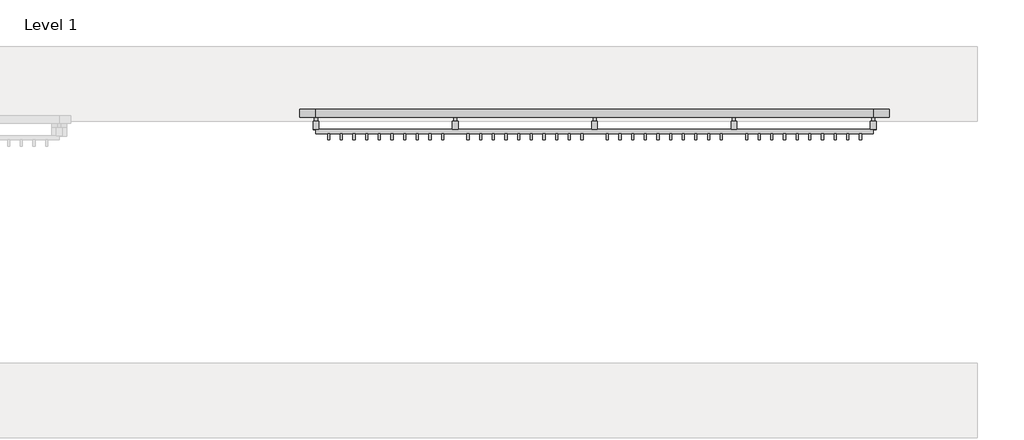
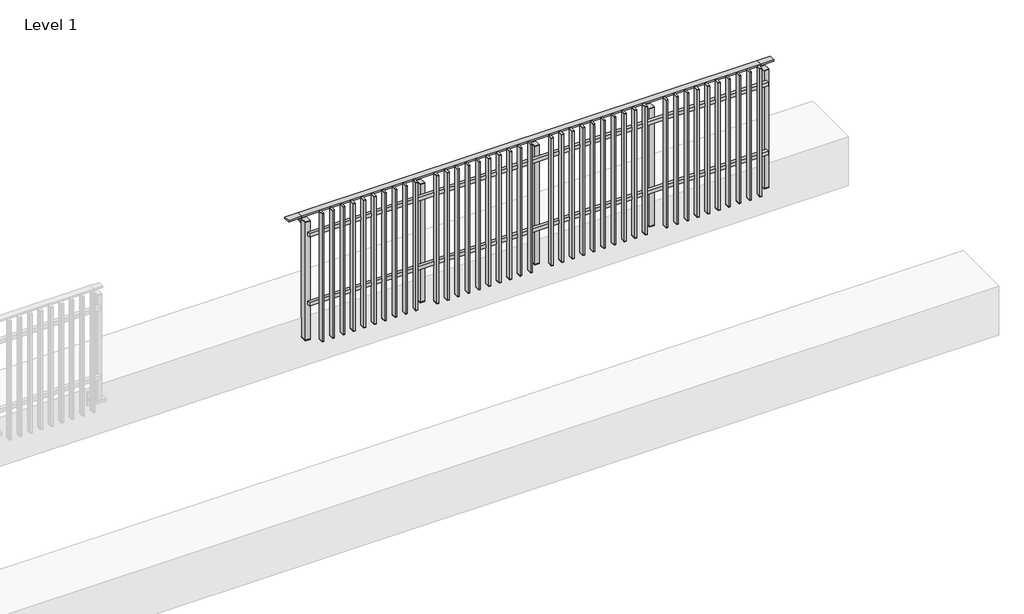
# One storey, part 15 of 17: 1 railing.
"""IFC4 building model written with IfcOpenShell, lengths in millimetres."""

from ifc_helpers import new_model, si_unit, point, frame, frame_2d, origin, place, context, project, spatial, polyline, circle_curve, trimmed, segment, composite_curve, outline, extrude, faceted_brep, element, save

model = new_model("IFC4")

# Units and contexts
model_context = context("Model", 3, world=origin())
ifc_project = project(units=[si_unit("LENGTHUNIT", "METRE", prefix="MILLI")], contexts=[model_context])

# Site, building, storey
site = spatial("IfcSite", under=ifc_project)
building = spatial("IfcBuilding", under=site)
storey = spatial("IfcBuildingStorey", under=building, Name="Level 1", Elevation=0.0)

# Railing
placement = place(None, origin())
element("IfcRailing", 1, at=placement, inside=storey, context=model_context, shape_type="SolidModel", body=[
    faceted_brep([(18027.0, 2493.1846828, 985.0), (18027.0, 2493.1846828, 1000.0), (22427.0, 2493.1846828, 1000.0), (22427.0, 2493.1846828, 985.0), (18027.0, 2433.1846828, 985.0), (22427.0, 2433.1846828, 985.0), (18027.0, 2433.1846828, 1000.0), (22427.0, 2433.1846828, 1000.0), (17899.5, 2493.1846828, 1000.0), (17899.5, 2493.1846828, 985.0), (17899.5, 2433.1846828, 985.0), (17899.5, 2433.1846828, 1000.0), (22554.5, 2493.1846828, 1000.0), (22554.5, 2433.1846828, 1000.0), (22554.5, 2433.1846828, 985.0), (22554.5, 2493.1846828, 985.0)], [[[0, 1, 2, 3]], [[4, 0, 3, 5]], [[6, 4, 5, 7]], [[1, 6, 7, 2]], [[8, 9, 10, 11]], [[9, 8, 1, 0]], [[10, 9, 0, 4]], [[11, 10, 4, 6]], [[8, 11, 6, 1]], [[12, 13, 14, 15]], [[3, 2, 12, 15]], [[5, 3, 15, 14]], [[7, 5, 14, 13]], [[2, 7, 13, 12]]]),
    extrude(outline(polyline([(18027.0, 2303.1846828), (18027.0, 2335.1846828), (22427.0, 2335.1846828), (22427.0, 2303.1846828), (18027.0, 2303.1846828)])), frame((0.0, 0.0, 164.0), z_axis=(0.0, 0.0, 1.0), x_axis=(1.0, 0.0, 0.0)), (0.0, 0.0, 1.0), 36.0),
    extrude(outline(polyline([(18027.0, 2303.1846828), (18027.0, 2335.1846828), (22427.0, 2335.1846828), (22427.0, 2303.1846828), (18027.0, 2303.1846828)])), frame((0.0, 0.0, 864.0), z_axis=(0.0, 0.0, 1.0), x_axis=(1.0, 0.0, 0.0)), (0.0, 0.0, 1.0), 36.0),
    extrude(outline(polyline([(22318.5, 2254.1846828), (22318.5, 2303.1846828), (22335.5, 2303.1846828), (22335.5, 2254.1846828), (22318.5, 2254.1846828)])), frame((0.0, 0.0, -195.0), z_axis=(0.0, 0.0, 1.0), x_axis=(1.0, 0.0, 0.0)), (0.0, 0.0, 1.0), 1290.0),
    extrude(outline(polyline([(22335.5, 2303.1846828), (22335.5, 2254.1846828), (22318.5, 2254.1846828), (22318.5, 2303.1846828), (22335.5, 2303.1846828)])), frame((0.0, 0.0, -200.0), z_axis=(0.0, 0.0, 1.0), x_axis=(1.0, 0.0, 0.0)), (0.0, 0.0, 1.0), 5.0),
    extrude(outline(polyline([(22335.5, 2303.1846828), (22335.5, 2254.1846828), (22318.5, 2254.1846828), (22318.5, 2303.1846828), (22335.5, 2303.1846828)])), frame((0.0, 0.0, 1095.0), z_axis=(0.0, 0.0, 1.0), x_axis=(1.0, 0.0, 0.0)), (0.0, 0.0, 1.0), 5.0),
    extrude(outline(polyline([(22218.5, 2254.1846828), (22218.5, 2303.1846828), (22235.5, 2303.1846828), (22235.5, 2254.1846828), (22218.5, 2254.1846828)])), frame((0.0, 0.0, -195.0), z_axis=(0.0, 0.0, 1.0), x_axis=(1.0, 0.0, 0.0)), (0.0, 0.0, 1.0), 1290.0),
    extrude(outline(polyline([(22235.5, 2303.1846828), (22235.5, 2254.1846828), (22218.5, 2254.1846828), (22218.5, 2303.1846828), (22235.5, 2303.1846828)])), frame((0.0, 0.0, -200.0), z_axis=(0.0, 0.0, 1.0), x_axis=(1.0, 0.0, 0.0)), (0.0, 0.0, 1.0), 5.0),
    extrude(outline(polyline([(22235.5, 2303.1846828), (22235.5, 2254.1846828), (22218.5, 2254.1846828), (22218.5, 2303.1846828), (22235.5, 2303.1846828)])), frame((0.0, 0.0, 1095.0), z_axis=(0.0, 0.0, 1.0), x_axis=(1.0, 0.0, 0.0)), (0.0, 0.0, 1.0), 5.0),
    extrude(outline(polyline([(22118.5, 2254.1846828), (22118.5, 2303.1846828), (22135.5, 2303.1846828), (22135.5, 2254.1846828), (22118.5, 2254.1846828)])), frame((0.0, 0.0, -195.0), z_axis=(0.0, 0.0, 1.0), x_axis=(1.0, 0.0, 0.0)), (0.0, 0.0, 1.0), 1290.0),
    extrude(outline(polyline([(22135.5, 2303.1846828), (22135.5, 2254.1846828), (22118.5, 2254.1846828), (22118.5, 2303.1846828), (22135.5, 2303.1846828)])), frame((0.0, 0.0, -200.0), z_axis=(0.0, 0.0, 1.0), x_axis=(1.0, 0.0, 0.0)), (0.0, 0.0, 1.0), 5.0),
    extrude(outline(polyline([(22135.5, 2303.1846828), (22135.5, 2254.1846828), (22118.5, 2254.1846828), (22118.5, 2303.1846828), (22135.5, 2303.1846828)])), frame((0.0, 0.0, 1095.0), z_axis=(0.0, 0.0, 1.0), x_axis=(1.0, 0.0, 0.0)), (0.0, 0.0, 1.0), 5.0),
    extrude(outline(polyline([(22018.5, 2254.1846828), (22018.5, 2303.1846828), (22035.5, 2303.1846828), (22035.5, 2254.1846828), (22018.5, 2254.1846828)])), frame((0.0, 0.0, -195.0), z_axis=(0.0, 0.0, 1.0), x_axis=(1.0, 0.0, 0.0)), (0.0, 0.0, 1.0), 1290.0),
    extrude(outline(polyline([(22035.5, 2303.1846828), (22035.5, 2254.1846828), (22018.5, 2254.1846828), (22018.5, 2303.1846828), (22035.5, 2303.1846828)])), frame((0.0, 0.0, -200.0), z_axis=(0.0, 0.0, 1.0), x_axis=(1.0, 0.0, 0.0)), (0.0, 0.0, 1.0), 5.0),
    extrude(outline(polyline([(22035.5, 2303.1846828), (22035.5, 2254.1846828), (22018.5, 2254.1846828), (22018.5, 2303.1846828), (22035.5, 2303.1846828)])), frame((0.0, 0.0, 1095.0), z_axis=(0.0, 0.0, 1.0), x_axis=(1.0, 0.0, 0.0)), (0.0, 0.0, 1.0), 5.0),
    extrude(outline(polyline([(21918.5, 2254.1846828), (21918.5, 2303.1846828), (21935.5, 2303.1846828), (21935.5, 2254.1846828), (21918.5, 2254.1846828)])), frame((0.0, 0.0, -195.0), z_axis=(0.0, 0.0, 1.0), x_axis=(1.0, 0.0, 0.0)), (0.0, 0.0, 1.0), 1290.0),
    extrude(outline(polyline([(21935.5, 2303.1846828), (21935.5, 2254.1846828), (21918.5, 2254.1846828), (21918.5, 2303.1846828), (21935.5, 2303.1846828)])), frame((0.0, 0.0, -200.0), z_axis=(0.0, 0.0, 1.0), x_axis=(1.0, 0.0, 0.0)), (0.0, 0.0, 1.0), 5.0),
    extrude(outline(polyline([(21935.5, 2303.1846828), (21935.5, 2254.1846828), (21918.5, 2254.1846828), (21918.5, 2303.1846828), (21935.5, 2303.1846828)])), frame((0.0, 0.0, 1095.0), z_axis=(0.0, 0.0, 1.0), x_axis=(1.0, 0.0, 0.0)), (0.0, 0.0, 1.0), 5.0),
    extrude(outline(polyline([(21818.5, 2254.1846828), (21818.5, 2303.1846828), (21835.5, 2303.1846828), (21835.5, 2254.1846828), (21818.5, 2254.1846828)])), frame((0.0, 0.0, -195.0), z_axis=(0.0, 0.0, 1.0), x_axis=(1.0, 0.0, 0.0)), (0.0, 0.0, 1.0), 1290.0),
    extrude(outline(polyline([(21835.5, 2303.1846828), (21835.5, 2254.1846828), (21818.5, 2254.1846828), (21818.5, 2303.1846828), (21835.5, 2303.1846828)])), frame((0.0, 0.0, -200.0), z_axis=(0.0, 0.0, 1.0), x_axis=(1.0, 0.0, 0.0)), (0.0, 0.0, 1.0), 5.0),
    extrude(outline(polyline([(21835.5, 2303.1846828), (21835.5, 2254.1846828), (21818.5, 2254.1846828), (21818.5, 2303.1846828), (21835.5, 2303.1846828)])), frame((0.0, 0.0, 1095.0), z_axis=(0.0, 0.0, 1.0), x_axis=(1.0, 0.0, 0.0)), (0.0, 0.0, 1.0), 5.0),
    extrude(outline(polyline([(21718.5, 2254.1846828), (21718.5, 2303.1846828), (21735.5, 2303.1846828), (21735.5, 2254.1846828), (21718.5, 2254.1846828)])), frame((0.0, 0.0, -195.0), z_axis=(0.0, 0.0, 1.0), x_axis=(1.0, 0.0, 0.0)), (0.0, 0.0, 1.0), 1290.0),
    extrude(outline(polyline([(21735.5, 2303.1846828), (21735.5, 2254.1846828), (21718.5, 2254.1846828), (21718.5, 2303.1846828), (21735.5, 2303.1846828)])), frame((0.0, 0.0, -200.0), z_axis=(0.0, 0.0, 1.0), x_axis=(1.0, 0.0, 0.0)), (0.0, 0.0, 1.0), 5.0),
    extrude(outline(polyline([(21735.5, 2303.1846828), (21735.5, 2254.1846828), (21718.5, 2254.1846828), (21718.5, 2303.1846828), (21735.5, 2303.1846828)])), frame((0.0, 0.0, 1095.0), z_axis=(0.0, 0.0, 1.0), x_axis=(1.0, 0.0, 0.0)), (0.0, 0.0, 1.0), 5.0),
    extrude(outline(polyline([(21618.5, 2254.1846828), (21618.5, 2303.1846828), (21635.5, 2303.1846828), (21635.5, 2254.1846828), (21618.5, 2254.1846828)])), frame((0.0, 0.0, -195.0), z_axis=(0.0, 0.0, 1.0), x_axis=(1.0, 0.0, 0.0)), (0.0, 0.0, 1.0), 1290.0),
    extrude(outline(polyline([(21635.5, 2303.1846828), (21635.5, 2254.1846828), (21618.5, 2254.1846828), (21618.5, 2303.1846828), (21635.5, 2303.1846828)])), frame((0.0, 0.0, -200.0), z_axis=(0.0, 0.0, 1.0), x_axis=(1.0, 0.0, 0.0)), (0.0, 0.0, 1.0), 5.0),
    extrude(outline(polyline([(21635.5, 2303.1846828), (21635.5, 2254.1846828), (21618.5, 2254.1846828), (21618.5, 2303.1846828), (21635.5, 2303.1846828)])), frame((0.0, 0.0, 1095.0), z_axis=(0.0, 0.0, 1.0), x_axis=(1.0, 0.0, 0.0)), (0.0, 0.0, 1.0), 5.0),
    extrude(outline(polyline([(21518.5, 2254.1846828), (21518.5, 2303.1846828), (21535.5, 2303.1846828), (21535.5, 2254.1846828), (21518.5, 2254.1846828)])), frame((0.0, 0.0, -195.0), z_axis=(0.0, 0.0, 1.0), x_axis=(1.0, 0.0, 0.0)), (0.0, 0.0, 1.0), 1290.0),
    extrude(outline(polyline([(21535.5, 2303.1846828), (21535.5, 2254.1846828), (21518.5, 2254.1846828), (21518.5, 2303.1846828), (21535.5, 2303.1846828)])), frame((0.0, 0.0, -200.0), z_axis=(0.0, 0.0, 1.0), x_axis=(1.0, 0.0, 0.0)), (0.0, 0.0, 1.0), 5.0),
    extrude(outline(polyline([(21535.5, 2303.1846828), (21535.5, 2254.1846828), (21518.5, 2254.1846828), (21518.5, 2303.1846828), (21535.5, 2303.1846828)])), frame((0.0, 0.0, 1095.0), z_axis=(0.0, 0.0, 1.0), x_axis=(1.0, 0.0, 0.0)), (0.0, 0.0, 1.0), 5.0),
    extrude(outline(polyline([(21418.5, 2254.1846828), (21418.5, 2303.1846828), (21435.5, 2303.1846828), (21435.5, 2254.1846828), (21418.5, 2254.1846828)])), frame((0.0, 0.0, -195.0), z_axis=(0.0, 0.0, 1.0), x_axis=(1.0, 0.0, 0.0)), (0.0, 0.0, 1.0), 1290.0),
    extrude(outline(polyline([(21435.5, 2303.1846828), (21435.5, 2254.1846828), (21418.5, 2254.1846828), (21418.5, 2303.1846828), (21435.5, 2303.1846828)])), frame((0.0, 0.0, -200.0), z_axis=(0.0, 0.0, 1.0), x_axis=(1.0, 0.0, 0.0)), (0.0, 0.0, 1.0), 5.0),
    extrude(outline(polyline([(21435.5, 2303.1846828), (21435.5, 2254.1846828), (21418.5, 2254.1846828), (21418.5, 2303.1846828), (21435.5, 2303.1846828)])), frame((0.0, 0.0, 1095.0), z_axis=(0.0, 0.0, 1.0), x_axis=(1.0, 0.0, 0.0)), (0.0, 0.0, 1.0), 5.0),
    extrude(outline(composite_curve([segment(polyline([(2488.1846828, 985.0), (2488.1846828, 960.900037)]), True, "CONTINUOUS"), segment(trimmed(circle_curve(frame_2d((2478.1846828, 960.900037)), 10.0), [point((2488.1846828, 960.900037))], [point((2480.7728733, 951.2407787))], False, "CARTESIAN"), True, "CONTINUOUS"), segment(polyline([(2480.7728733, 951.2407787), (2423.7244733, 935.9547061)]), True, "CONTINUOUS"), segment(trimmed(circle_curve(frame_2d((2426.3126638, 926.2954478)), 10.0), [point((2423.7244733, 935.9547061))], [point((2416.3982152, 927.6007097))], True, "CARTESIAN"), True, "CONTINUOUS"), segment(polyline([(2416.3982152, 927.6007097), (2411.791393, 892.6084214)]), True, "CONTINUOUS"), segment(trimmed(circle_curve(frame_2d((2408.8170584, 893.0)), 3.0), [point((2411.791393, 892.6084214))], [point((2408.8170584, 890.0))], False, "CARTESIAN"), True, "CONTINUOUS"), segment(polyline([(2408.8170584, 890.0), (2400.1846828, 890.0), (2400.1846828, 940.0), (2464.1846828, 957.1487483), (2464.1846828, 985.0), (2488.1846828, 985.0)]), True, "CONTINUOUS")], self_intersect=False)), frame((21314.5, 0.0, 0.0), z_axis=(1.0, 0.0, 0.0), x_axis=(0.0, 1.0, 0.0)), (0.0, 0.0, 1.0), 25.0),
    extrude(outline(polyline([(21349.5, 2400.1846828), (21349.5, 2335.1846828), (21304.5, 2335.1846828), (21304.5, 2400.1846828), (21349.5, 2400.1846828)])), frame((0.0, 0.0, 1000.0), z_axis=(0.0, 0.0, 1.0), x_axis=(1.0, 0.0, 0.0)), (0.0, 0.0, 1.0), 5.0),
    extrude(outline(polyline([(21349.5, 2400.1846828), (21349.5, 2335.1846828), (21304.5, 2335.1846828), (21304.5, 2400.1846828), (21349.5, 2400.1846828)])), frame((0.0, 0.0, -192.0), z_axis=(0.0, 0.0, 1.0), x_axis=(1.0, 0.0, 0.0)), (0.0, 0.0, 1.0), 1192.0),
    extrude(outline(polyline([(21349.5, 2400.1846828), (21349.5, 2335.1846828), (21304.5, 2335.1846828), (21304.5, 2400.1846828), (21349.5, 2400.1846828)])), frame((0.0, 0.0, -200.0), z_axis=(0.0, 0.0, 1.0), x_axis=(1.0, 0.0, 0.0)), (0.0, 0.0, 1.0), 8.0),
    extrude(outline(polyline([(21218.5, 2254.1846828), (21218.5, 2303.1846828), (21235.5, 2303.1846828), (21235.5, 2254.1846828), (21218.5, 2254.1846828)])), frame((0.0, 0.0, -195.0), z_axis=(0.0, 0.0, 1.0), x_axis=(1.0, 0.0, 0.0)), (0.0, 0.0, 1.0), 1290.0),
    extrude(outline(polyline([(21235.5, 2303.1846828), (21235.5, 2254.1846828), (21218.5, 2254.1846828), (21218.5, 2303.1846828), (21235.5, 2303.1846828)])), frame((0.0, 0.0, -200.0), z_axis=(0.0, 0.0, 1.0), x_axis=(1.0, 0.0, 0.0)), (0.0, 0.0, 1.0), 5.0),
    extrude(outline(polyline([(21235.5, 2303.1846828), (21235.5, 2254.1846828), (21218.5, 2254.1846828), (21218.5, 2303.1846828), (21235.5, 2303.1846828)])), frame((0.0, 0.0, 1095.0), z_axis=(0.0, 0.0, 1.0), x_axis=(1.0, 0.0, 0.0)), (0.0, 0.0, 1.0), 5.0),
    extrude(outline(polyline([(21118.5, 2254.1846828), (21118.5, 2303.1846828), (21135.5, 2303.1846828), (21135.5, 2254.1846828), (21118.5, 2254.1846828)])), frame((0.0, 0.0, -195.0), z_axis=(0.0, 0.0, 1.0), x_axis=(1.0, 0.0, 0.0)), (0.0, 0.0, 1.0), 1290.0),
    extrude(outline(polyline([(21135.5, 2303.1846828), (21135.5, 2254.1846828), (21118.5, 2254.1846828), (21118.5, 2303.1846828), (21135.5, 2303.1846828)])), frame((0.0, 0.0, -200.0), z_axis=(0.0, 0.0, 1.0), x_axis=(1.0, 0.0, 0.0)), (0.0, 0.0, 1.0), 5.0),
    extrude(outline(polyline([(21135.5, 2303.1846828), (21135.5, 2254.1846828), (21118.5, 2254.1846828), (21118.5, 2303.1846828), (21135.5, 2303.1846828)])), frame((0.0, 0.0, 1095.0), z_axis=(0.0, 0.0, 1.0), x_axis=(1.0, 0.0, 0.0)), (0.0, 0.0, 1.0), 5.0),
    extrude(outline(polyline([(21018.5, 2254.1846828), (21018.5, 2303.1846828), (21035.5, 2303.1846828), (21035.5, 2254.1846828), (21018.5, 2254.1846828)])), frame((0.0, 0.0, -195.0), z_axis=(0.0, 0.0, 1.0), x_axis=(1.0, 0.0, 0.0)), (0.0, 0.0, 1.0), 1290.0),
    extrude(outline(polyline([(21035.5, 2303.1846828), (21035.5, 2254.1846828), (21018.5, 2254.1846828), (21018.5, 2303.1846828), (21035.5, 2303.1846828)])), frame((0.0, 0.0, -200.0), z_axis=(0.0, 0.0, 1.0), x_axis=(1.0, 0.0, 0.0)), (0.0, 0.0, 1.0), 5.0),
    extrude(outline(polyline([(21035.5, 2303.1846828), (21035.5, 2254.1846828), (21018.5, 2254.1846828), (21018.5, 2303.1846828), (21035.5, 2303.1846828)])), frame((0.0, 0.0, 1095.0), z_axis=(0.0, 0.0, 1.0), x_axis=(1.0, 0.0, 0.0)), (0.0, 0.0, 1.0), 5.0),
    extrude(outline(polyline([(20918.5, 2254.1846828), (20918.5, 2303.1846828), (20935.5, 2303.1846828), (20935.5, 2254.1846828), (20918.5, 2254.1846828)])), frame((0.0, 0.0, -195.0), z_axis=(0.0, 0.0, 1.0), x_axis=(1.0, 0.0, 0.0)), (0.0, 0.0, 1.0), 1290.0),
    extrude(outline(polyline([(20935.5, 2303.1846828), (20935.5, 2254.1846828), (20918.5, 2254.1846828), (20918.5, 2303.1846828), (20935.5, 2303.1846828)])), frame((0.0, 0.0, -200.0), z_axis=(0.0, 0.0, 1.0), x_axis=(1.0, 0.0, 0.0)), (0.0, 0.0, 1.0), 5.0),
    extrude(outline(polyline([(20935.5, 2303.1846828), (20935.5, 2254.1846828), (20918.5, 2254.1846828), (20918.5, 2303.1846828), (20935.5, 2303.1846828)])), frame((0.0, 0.0, 1095.0), z_axis=(0.0, 0.0, 1.0), x_axis=(1.0, 0.0, 0.0)), (0.0, 0.0, 1.0), 5.0),
    extrude(outline(polyline([(20818.5, 2254.1846828), (20818.5, 2303.1846828), (20835.5, 2303.1846828), (20835.5, 2254.1846828), (20818.5, 2254.1846828)])), frame((0.0, 0.0, -195.0), z_axis=(0.0, 0.0, 1.0), x_axis=(1.0, 0.0, 0.0)), (0.0, 0.0, 1.0), 1290.0),
    extrude(outline(polyline([(20835.5, 2303.1846828), (20835.5, 2254.1846828), (20818.5, 2254.1846828), (20818.5, 2303.1846828), (20835.5, 2303.1846828)])), frame((0.0, 0.0, -200.0), z_axis=(0.0, 0.0, 1.0), x_axis=(1.0, 0.0, 0.0)), (0.0, 0.0, 1.0), 5.0),
    extrude(outline(polyline([(20835.5, 2303.1846828), (20835.5, 2254.1846828), (20818.5, 2254.1846828), (20818.5, 2303.1846828), (20835.5, 2303.1846828)])), frame((0.0, 0.0, 1095.0), z_axis=(0.0, 0.0, 1.0), x_axis=(1.0, 0.0, 0.0)), (0.0, 0.0, 1.0), 5.0),
    extrude(outline(polyline([(20718.5, 2254.1846828), (20718.5, 2303.1846828), (20735.5, 2303.1846828), (20735.5, 2254.1846828), (20718.5, 2254.1846828)])), frame((0.0, 0.0, -195.0), z_axis=(0.0, 0.0, 1.0), x_axis=(1.0, 0.0, 0.0)), (0.0, 0.0, 1.0), 1290.0),
    extrude(outline(polyline([(20735.5, 2303.1846828), (20735.5, 2254.1846828), (20718.5, 2254.1846828), (20718.5, 2303.1846828), (20735.5, 2303.1846828)])), frame((0.0, 0.0, -200.0), z_axis=(0.0, 0.0, 1.0), x_axis=(1.0, 0.0, 0.0)), (0.0, 0.0, 1.0), 5.0),
    extrude(outline(polyline([(20735.5, 2303.1846828), (20735.5, 2254.1846828), (20718.5, 2254.1846828), (20718.5, 2303.1846828), (20735.5, 2303.1846828)])), frame((0.0, 0.0, 1095.0), z_axis=(0.0, 0.0, 1.0), x_axis=(1.0, 0.0, 0.0)), (0.0, 0.0, 1.0), 5.0),
    extrude(outline(polyline([(20618.5, 2254.1846828), (20618.5, 2303.1846828), (20635.5, 2303.1846828), (20635.5, 2254.1846828), (20618.5, 2254.1846828)])), frame((0.0, 0.0, -195.0), z_axis=(0.0, 0.0, 1.0), x_axis=(1.0, 0.0, 0.0)), (0.0, 0.0, 1.0), 1290.0),
    extrude(outline(polyline([(20635.5, 2303.1846828), (20635.5, 2254.1846828), (20618.5, 2254.1846828), (20618.5, 2303.1846828), (20635.5, 2303.1846828)])), frame((0.0, 0.0, -200.0), z_axis=(0.0, 0.0, 1.0), x_axis=(1.0, 0.0, 0.0)), (0.0, 0.0, 1.0), 5.0),
    extrude(outline(polyline([(20635.5, 2303.1846828), (20635.5, 2254.1846828), (20618.5, 2254.1846828), (20618.5, 2303.1846828), (20635.5, 2303.1846828)])), frame((0.0, 0.0, 1095.0), z_axis=(0.0, 0.0, 1.0), x_axis=(1.0, 0.0, 0.0)), (0.0, 0.0, 1.0), 5.0),
    extrude(outline(polyline([(20518.5, 2254.1846828), (20518.5, 2303.1846828), (20535.5, 2303.1846828), (20535.5, 2254.1846828), (20518.5, 2254.1846828)])), frame((0.0, 0.0, -195.0), z_axis=(0.0, 0.0, 1.0), x_axis=(1.0, 0.0, 0.0)), (0.0, 0.0, 1.0), 1290.0),
    extrude(outline(polyline([(20535.5, 2303.1846828), (20535.5, 2254.1846828), (20518.5, 2254.1846828), (20518.5, 2303.1846828), (20535.5, 2303.1846828)])), frame((0.0, 0.0, -200.0), z_axis=(0.0, 0.0, 1.0), x_axis=(1.0, 0.0, 0.0)), (0.0, 0.0, 1.0), 5.0),
    extrude(outline(polyline([(20535.5, 2303.1846828), (20535.5, 2254.1846828), (20518.5, 2254.1846828), (20518.5, 2303.1846828), (20535.5, 2303.1846828)])), frame((0.0, 0.0, 1095.0), z_axis=(0.0, 0.0, 1.0), x_axis=(1.0, 0.0, 0.0)), (0.0, 0.0, 1.0), 5.0),
    extrude(outline(polyline([(20418.5, 2254.1846828), (20418.5, 2303.1846828), (20435.5, 2303.1846828), (20435.5, 2254.1846828), (20418.5, 2254.1846828)])), frame((0.0, 0.0, -195.0), z_axis=(0.0, 0.0, 1.0), x_axis=(1.0, 0.0, 0.0)), (0.0, 0.0, 1.0), 1290.0),
    extrude(outline(polyline([(20435.5, 2303.1846828), (20435.5, 2254.1846828), (20418.5, 2254.1846828), (20418.5, 2303.1846828), (20435.5, 2303.1846828)])), frame((0.0, 0.0, -200.0), z_axis=(0.0, 0.0, 1.0), x_axis=(1.0, 0.0, 0.0)), (0.0, 0.0, 1.0), 5.0),
    extrude(outline(polyline([(20435.5, 2303.1846828), (20435.5, 2254.1846828), (20418.5, 2254.1846828), (20418.5, 2303.1846828), (20435.5, 2303.1846828)])), frame((0.0, 0.0, 1095.0), z_axis=(0.0, 0.0, 1.0), x_axis=(1.0, 0.0, 0.0)), (0.0, 0.0, 1.0), 5.0),
    extrude(outline(polyline([(20318.5, 2254.1846828), (20318.5, 2303.1846828), (20335.5, 2303.1846828), (20335.5, 2254.1846828), (20318.5, 2254.1846828)])), frame((0.0, 0.0, -195.0), z_axis=(0.0, 0.0, 1.0), x_axis=(1.0, 0.0, 0.0)), (0.0, 0.0, 1.0), 1290.0),
    extrude(outline(polyline([(20335.5, 2303.1846828), (20335.5, 2254.1846828), (20318.5, 2254.1846828), (20318.5, 2303.1846828), (20335.5, 2303.1846828)])), frame((0.0, 0.0, -200.0), z_axis=(0.0, 0.0, 1.0), x_axis=(1.0, 0.0, 0.0)), (0.0, 0.0, 1.0), 5.0),
    extrude(outline(polyline([(20335.5, 2303.1846828), (20335.5, 2254.1846828), (20318.5, 2254.1846828), (20318.5, 2303.1846828), (20335.5, 2303.1846828)])), frame((0.0, 0.0, 1095.0), z_axis=(0.0, 0.0, 1.0), x_axis=(1.0, 0.0, 0.0)), (0.0, 0.0, 1.0), 5.0),
    extrude(outline(composite_curve([segment(polyline([(2488.1846828, 985.0), (2488.1846828, 960.900037)]), True, "CONTINUOUS"), segment(trimmed(circle_curve(frame_2d((2478.1846828, 960.900037)), 10.0), [point((2488.1846828, 960.900037))], [point((2480.7728733, 951.2407787))], False, "CARTESIAN"), True, "CONTINUOUS"), segment(polyline([(2480.7728733, 951.2407787), (2423.7244733, 935.9547061)]), True, "CONTINUOUS"), segment(trimmed(circle_curve(frame_2d((2426.3126638, 926.2954478)), 10.0), [point((2423.7244733, 935.9547061))], [point((2416.3982152, 927.6007097))], True, "CARTESIAN"), True, "CONTINUOUS"), segment(polyline([(2416.3982152, 927.6007097), (2411.791393, 892.6084214)]), True, "CONTINUOUS"), segment(trimmed(circle_curve(frame_2d((2408.8170584, 893.0)), 3.0), [point((2411.791393, 892.6084214))], [point((2408.8170584, 890.0))], False, "CARTESIAN"), True, "CONTINUOUS"), segment(polyline([(2408.8170584, 890.0), (2400.1846828, 890.0), (2400.1846828, 940.0), (2464.1846828, 957.1487483), (2464.1846828, 985.0), (2488.1846828, 985.0)]), True, "CONTINUOUS")], self_intersect=False)), frame((20214.5, 0.0, 0.0), z_axis=(1.0, 0.0, 0.0), x_axis=(0.0, 1.0, 0.0)), (0.0, 0.0, 1.0), 25.0),
    extrude(outline(polyline([(20249.5, 2400.1846828), (20249.5, 2335.1846828), (20204.5, 2335.1846828), (20204.5, 2400.1846828), (20249.5, 2400.1846828)])), frame((0.0, 0.0, 1000.0), z_axis=(0.0, 0.0, 1.0), x_axis=(1.0, 0.0, 0.0)), (0.0, 0.0, 1.0), 5.0),
    extrude(outline(polyline([(20249.5, 2400.1846828), (20249.5, 2335.1846828), (20204.5, 2335.1846828), (20204.5, 2400.1846828), (20249.5, 2400.1846828)])), frame((0.0, 0.0, -192.0), z_axis=(0.0, 0.0, 1.0), x_axis=(1.0, 0.0, 0.0)), (0.0, 0.0, 1.0), 1192.0),
    extrude(outline(polyline([(20249.5, 2400.1846828), (20249.5, 2335.1846828), (20204.5, 2335.1846828), (20204.5, 2400.1846828), (20249.5, 2400.1846828)])), frame((0.0, 0.0, -200.0), z_axis=(0.0, 0.0, 1.0), x_axis=(1.0, 0.0, 0.0)), (0.0, 0.0, 1.0), 8.0),
    extrude(outline(polyline([(20118.5, 2254.1846828), (20118.5, 2303.1846828), (20135.5, 2303.1846828), (20135.5, 2254.1846828), (20118.5, 2254.1846828)])), frame((0.0, 0.0, -195.0), z_axis=(0.0, 0.0, 1.0), x_axis=(1.0, 0.0, 0.0)), (0.0, 0.0, 1.0), 1290.0),
    extrude(outline(polyline([(20135.5, 2303.1846828), (20135.5, 2254.1846828), (20118.5, 2254.1846828), (20118.5, 2303.1846828), (20135.5, 2303.1846828)])), frame((0.0, 0.0, -200.0), z_axis=(0.0, 0.0, 1.0), x_axis=(1.0, 0.0, 0.0)), (0.0, 0.0, 1.0), 5.0),
    extrude(outline(polyline([(20135.5, 2303.1846828), (20135.5, 2254.1846828), (20118.5, 2254.1846828), (20118.5, 2303.1846828), (20135.5, 2303.1846828)])), frame((0.0, 0.0, 1095.0), z_axis=(0.0, 0.0, 1.0), x_axis=(1.0, 0.0, 0.0)), (0.0, 0.0, 1.0), 5.0),
    extrude(outline(polyline([(20018.5, 2254.1846828), (20018.5, 2303.1846828), (20035.5, 2303.1846828), (20035.5, 2254.1846828), (20018.5, 2254.1846828)])), frame((0.0, 0.0, -195.0), z_axis=(0.0, 0.0, 1.0), x_axis=(1.0, 0.0, 0.0)), (0.0, 0.0, 1.0), 1290.0),
    extrude(outline(polyline([(20035.5, 2303.1846828), (20035.5, 2254.1846828), (20018.5, 2254.1846828), (20018.5, 2303.1846828), (20035.5, 2303.1846828)])), frame((0.0, 0.0, -200.0), z_axis=(0.0, 0.0, 1.0), x_axis=(1.0, 0.0, 0.0)), (0.0, 0.0, 1.0), 5.0),
    extrude(outline(polyline([(20035.5, 2303.1846828), (20035.5, 2254.1846828), (20018.5, 2254.1846828), (20018.5, 2303.1846828), (20035.5, 2303.1846828)])), frame((0.0, 0.0, 1095.0), z_axis=(0.0, 0.0, 1.0), x_axis=(1.0, 0.0, 0.0)), (0.0, 0.0, 1.0), 5.0),
    extrude(outline(polyline([(19918.5, 2254.1846828), (19918.5, 2303.1846828), (19935.5, 2303.1846828), (19935.5, 2254.1846828), (19918.5, 2254.1846828)])), frame((0.0, 0.0, -195.0), z_axis=(0.0, 0.0, 1.0), x_axis=(1.0, 0.0, 0.0)), (0.0, 0.0, 1.0), 1290.0),
    extrude(outline(polyline([(19935.5, 2303.1846828), (19935.5, 2254.1846828), (19918.5, 2254.1846828), (19918.5, 2303.1846828), (19935.5, 2303.1846828)])), frame((0.0, 0.0, -200.0), z_axis=(0.0, 0.0, 1.0), x_axis=(1.0, 0.0, 0.0)), (0.0, 0.0, 1.0), 5.0),
    extrude(outline(polyline([(19935.5, 2303.1846828), (19935.5, 2254.1846828), (19918.5, 2254.1846828), (19918.5, 2303.1846828), (19935.5, 2303.1846828)])), frame((0.0, 0.0, 1095.0), z_axis=(0.0, 0.0, 1.0), x_axis=(1.0, 0.0, 0.0)), (0.0, 0.0, 1.0), 5.0),
    extrude(outline(polyline([(19818.5, 2254.1846828), (19818.5, 2303.1846828), (19835.5, 2303.1846828), (19835.5, 2254.1846828), (19818.5, 2254.1846828)])), frame((0.0, 0.0, -195.0), z_axis=(0.0, 0.0, 1.0), x_axis=(1.0, 0.0, 0.0)), (0.0, 0.0, 1.0), 1290.0),
    extrude(outline(polyline([(19835.5, 2303.1846828), (19835.5, 2254.1846828), (19818.5, 2254.1846828), (19818.5, 2303.1846828), (19835.5, 2303.1846828)])), frame((0.0, 0.0, -200.0), z_axis=(0.0, 0.0, 1.0), x_axis=(1.0, 0.0, 0.0)), (0.0, 0.0, 1.0), 5.0),
    extrude(outline(polyline([(19835.5, 2303.1846828), (19835.5, 2254.1846828), (19818.5, 2254.1846828), (19818.5, 2303.1846828), (19835.5, 2303.1846828)])), frame((0.0, 0.0, 1095.0), z_axis=(0.0, 0.0, 1.0), x_axis=(1.0, 0.0, 0.0)), (0.0, 0.0, 1.0), 5.0),
    extrude(outline(polyline([(19718.5, 2254.1846828), (19718.5, 2303.1846828), (19735.5, 2303.1846828), (19735.5, 2254.1846828), (19718.5, 2254.1846828)])), frame((0.0, 0.0, -195.0), z_axis=(0.0, 0.0, 1.0), x_axis=(1.0, 0.0, 0.0)), (0.0, 0.0, 1.0), 1290.0),
    extrude(outline(polyline([(19735.5, 2303.1846828), (19735.5, 2254.1846828), (19718.5, 2254.1846828), (19718.5, 2303.1846828), (19735.5, 2303.1846828)])), frame((0.0, 0.0, -200.0), z_axis=(0.0, 0.0, 1.0), x_axis=(1.0, 0.0, 0.0)), (0.0, 0.0, 1.0), 5.0),
    extrude(outline(polyline([(19735.5, 2303.1846828), (19735.5, 2254.1846828), (19718.5, 2254.1846828), (19718.5, 2303.1846828), (19735.5, 2303.1846828)])), frame((0.0, 0.0, 1095.0), z_axis=(0.0, 0.0, 1.0), x_axis=(1.0, 0.0, 0.0)), (0.0, 0.0, 1.0), 5.0),
    extrude(outline(polyline([(19618.5, 2254.1846828), (19618.5, 2303.1846828), (19635.5, 2303.1846828), (19635.5, 2254.1846828), (19618.5, 2254.1846828)])), frame((0.0, 0.0, -195.0), z_axis=(0.0, 0.0, 1.0), x_axis=(1.0, 0.0, 0.0)), (0.0, 0.0, 1.0), 1290.0),
    extrude(outline(polyline([(19635.5, 2303.1846828), (19635.5, 2254.1846828), (19618.5, 2254.1846828), (19618.5, 2303.1846828), (19635.5, 2303.1846828)])), frame((0.0, 0.0, -200.0), z_axis=(0.0, 0.0, 1.0), x_axis=(1.0, 0.0, 0.0)), (0.0, 0.0, 1.0), 5.0),
    extrude(outline(polyline([(19635.5, 2303.1846828), (19635.5, 2254.1846828), (19618.5, 2254.1846828), (19618.5, 2303.1846828), (19635.5, 2303.1846828)])), frame((0.0, 0.0, 1095.0), z_axis=(0.0, 0.0, 1.0), x_axis=(1.0, 0.0, 0.0)), (0.0, 0.0, 1.0), 5.0),
    extrude(outline(polyline([(19518.5, 2254.1846828), (19518.5, 2303.1846828), (19535.5, 2303.1846828), (19535.5, 2254.1846828), (19518.5, 2254.1846828)])), frame((0.0, 0.0, -195.0), z_axis=(0.0, 0.0, 1.0), x_axis=(1.0, 0.0, 0.0)), (0.0, 0.0, 1.0), 1290.0),
    extrude(outline(polyline([(19535.5, 2303.1846828), (19535.5, 2254.1846828), (19518.5, 2254.1846828), (19518.5, 2303.1846828), (19535.5, 2303.1846828)])), frame((0.0, 0.0, -200.0), z_axis=(0.0, 0.0, 1.0), x_axis=(1.0, 0.0, 0.0)), (0.0, 0.0, 1.0), 5.0),
    extrude(outline(polyline([(19535.5, 2303.1846828), (19535.5, 2254.1846828), (19518.5, 2254.1846828), (19518.5, 2303.1846828), (19535.5, 2303.1846828)])), frame((0.0, 0.0, 1095.0), z_axis=(0.0, 0.0, 1.0), x_axis=(1.0, 0.0, 0.0)), (0.0, 0.0, 1.0), 5.0),
    extrude(outline(polyline([(19418.5, 2254.1846828), (19418.5, 2303.1846828), (19435.5, 2303.1846828), (19435.5, 2254.1846828), (19418.5, 2254.1846828)])), frame((0.0, 0.0, -195.0), z_axis=(0.0, 0.0, 1.0), x_axis=(1.0, 0.0, 0.0)), (0.0, 0.0, 1.0), 1290.0),
    extrude(outline(polyline([(19435.5, 2303.1846828), (19435.5, 2254.1846828), (19418.5, 2254.1846828), (19418.5, 2303.1846828), (19435.5, 2303.1846828)])), frame((0.0, 0.0, -200.0), z_axis=(0.0, 0.0, 1.0), x_axis=(1.0, 0.0, 0.0)), (0.0, 0.0, 1.0), 5.0),
    extrude(outline(polyline([(19435.5, 2303.1846828), (19435.5, 2254.1846828), (19418.5, 2254.1846828), (19418.5, 2303.1846828), (19435.5, 2303.1846828)])), frame((0.0, 0.0, 1095.0), z_axis=(0.0, 0.0, 1.0), x_axis=(1.0, 0.0, 0.0)), (0.0, 0.0, 1.0), 5.0),
    extrude(outline(polyline([(19318.5, 2254.1846828), (19318.5, 2303.1846828), (19335.5, 2303.1846828), (19335.5, 2254.1846828), (19318.5, 2254.1846828)])), frame((0.0, 0.0, -195.0), z_axis=(0.0, 0.0, 1.0), x_axis=(1.0, 0.0, 0.0)), (0.0, 0.0, 1.0), 1290.0),
    extrude(outline(polyline([(19335.5, 2303.1846828), (19335.5, 2254.1846828), (19318.5, 2254.1846828), (19318.5, 2303.1846828), (19335.5, 2303.1846828)])), frame((0.0, 0.0, -200.0), z_axis=(0.0, 0.0, 1.0), x_axis=(1.0, 0.0, 0.0)), (0.0, 0.0, 1.0), 5.0),
    extrude(outline(polyline([(19335.5, 2303.1846828), (19335.5, 2254.1846828), (19318.5, 2254.1846828), (19318.5, 2303.1846828), (19335.5, 2303.1846828)])), frame((0.0, 0.0, 1095.0), z_axis=(0.0, 0.0, 1.0), x_axis=(1.0, 0.0, 0.0)), (0.0, 0.0, 1.0), 5.0),
    extrude(outline(polyline([(19218.5, 2254.1846828), (19218.5, 2303.1846828), (19235.5, 2303.1846828), (19235.5, 2254.1846828), (19218.5, 2254.1846828)])), frame((0.0, 0.0, -195.0), z_axis=(0.0, 0.0, 1.0), x_axis=(1.0, 0.0, 0.0)), (0.0, 0.0, 1.0), 1290.0),
    extrude(outline(polyline([(19235.5, 2303.1846828), (19235.5, 2254.1846828), (19218.5, 2254.1846828), (19218.5, 2303.1846828), (19235.5, 2303.1846828)])), frame((0.0, 0.0, -200.0), z_axis=(0.0, 0.0, 1.0), x_axis=(1.0, 0.0, 0.0)), (0.0, 0.0, 1.0), 5.0),
    extrude(outline(polyline([(19235.5, 2303.1846828), (19235.5, 2254.1846828), (19218.5, 2254.1846828), (19218.5, 2303.1846828), (19235.5, 2303.1846828)])), frame((0.0, 0.0, 1095.0), z_axis=(0.0, 0.0, 1.0), x_axis=(1.0, 0.0, 0.0)), (0.0, 0.0, 1.0), 5.0),
    extrude(outline(composite_curve([segment(polyline([(2488.1846828, 985.0), (2488.1846828, 960.900037)]), True, "CONTINUOUS"), segment(trimmed(circle_curve(frame_2d((2478.1846828, 960.900037)), 10.0), [point((2488.1846828, 960.900037))], [point((2480.7728733, 951.2407787))], False, "CARTESIAN"), True, "CONTINUOUS"), segment(polyline([(2480.7728733, 951.2407787), (2423.7244733, 935.9547061)]), True, "CONTINUOUS"), segment(trimmed(circle_curve(frame_2d((2426.3126638, 926.2954478)), 10.0), [point((2423.7244733, 935.9547061))], [point((2416.3982152, 927.6007097))], True, "CARTESIAN"), True, "CONTINUOUS"), segment(polyline([(2416.3982152, 927.6007097), (2411.791393, 892.6084214)]), True, "CONTINUOUS"), segment(trimmed(circle_curve(frame_2d((2408.8170584, 893.0)), 3.0), [point((2411.791393, 892.6084214))], [point((2408.8170584, 890.0))], False, "CARTESIAN"), True, "CONTINUOUS"), segment(polyline([(2408.8170584, 890.0), (2400.1846828, 890.0), (2400.1846828, 940.0), (2464.1846828, 957.1487483), (2464.1846828, 985.0), (2488.1846828, 985.0)]), True, "CONTINUOUS")], self_intersect=False)), frame((19114.5, 0.0, 0.0), z_axis=(1.0, 0.0, 0.0), x_axis=(0.0, 1.0, 0.0)), (0.0, 0.0, 1.0), 25.0),
    extrude(outline(polyline([(19149.5, 2400.1846828), (19149.5, 2335.1846828), (19104.5, 2335.1846828), (19104.5, 2400.1846828), (19149.5, 2400.1846828)])), frame((0.0, 0.0, 1000.0), z_axis=(0.0, 0.0, 1.0), x_axis=(1.0, 0.0, 0.0)), (0.0, 0.0, 1.0), 5.0),
    extrude(outline(polyline([(19149.5, 2400.1846828), (19149.5, 2335.1846828), (19104.5, 2335.1846828), (19104.5, 2400.1846828), (19149.5, 2400.1846828)])), frame((0.0, 0.0, -192.0), z_axis=(0.0, 0.0, 1.0), x_axis=(1.0, 0.0, 0.0)), (0.0, 0.0, 1.0), 1192.0),
    extrude(outline(polyline([(19149.5, 2400.1846828), (19149.5, 2335.1846828), (19104.5, 2335.1846828), (19104.5, 2400.1846828), (19149.5, 2400.1846828)])), frame((0.0, 0.0, -200.0), z_axis=(0.0, 0.0, 1.0), x_axis=(1.0, 0.0, 0.0)), (0.0, 0.0, 1.0), 8.0),
    extrude(outline(polyline([(19018.5, 2254.1846828), (19018.5, 2303.1846828), (19035.5, 2303.1846828), (19035.5, 2254.1846828), (19018.5, 2254.1846828)])), frame((0.0, 0.0, -195.0), z_axis=(0.0, 0.0, 1.0), x_axis=(1.0, 0.0, 0.0)), (0.0, 0.0, 1.0), 1290.0),
    extrude(outline(polyline([(19035.5, 2303.1846828), (19035.5, 2254.1846828), (19018.5, 2254.1846828), (19018.5, 2303.1846828), (19035.5, 2303.1846828)])), frame((0.0, 0.0, -200.0), z_axis=(0.0, 0.0, 1.0), x_axis=(1.0, 0.0, 0.0)), (0.0, 0.0, 1.0), 5.0),
    extrude(outline(polyline([(19035.5, 2303.1846828), (19035.5, 2254.1846828), (19018.5, 2254.1846828), (19018.5, 2303.1846828), (19035.5, 2303.1846828)])), frame((0.0, 0.0, 1095.0), z_axis=(0.0, 0.0, 1.0), x_axis=(1.0, 0.0, 0.0)), (0.0, 0.0, 1.0), 5.0),
    extrude(outline(polyline([(18918.5, 2254.1846828), (18918.5, 2303.1846828), (18935.5, 2303.1846828), (18935.5, 2254.1846828), (18918.5, 2254.1846828)])), frame((0.0, 0.0, -195.0), z_axis=(0.0, 0.0, 1.0), x_axis=(1.0, 0.0, 0.0)), (0.0, 0.0, 1.0), 1290.0),
    extrude(outline(polyline([(18935.5, 2303.1846828), (18935.5, 2254.1846828), (18918.5, 2254.1846828), (18918.5, 2303.1846828), (18935.5, 2303.1846828)])), frame((0.0, 0.0, -200.0), z_axis=(0.0, 0.0, 1.0), x_axis=(1.0, 0.0, 0.0)), (0.0, 0.0, 1.0), 5.0),
    extrude(outline(polyline([(18935.5, 2303.1846828), (18935.5, 2254.1846828), (18918.5, 2254.1846828), (18918.5, 2303.1846828), (18935.5, 2303.1846828)])), frame((0.0, 0.0, 1095.0), z_axis=(0.0, 0.0, 1.0), x_axis=(1.0, 0.0, 0.0)), (0.0, 0.0, 1.0), 5.0),
    extrude(outline(polyline([(18818.5, 2254.1846828), (18818.5, 2303.1846828), (18835.5, 2303.1846828), (18835.5, 2254.1846828), (18818.5, 2254.1846828)])), frame((0.0, 0.0, -195.0), z_axis=(0.0, 0.0, 1.0), x_axis=(1.0, 0.0, 0.0)), (0.0, 0.0, 1.0), 1290.0),
    extrude(outline(polyline([(18835.5, 2303.1846828), (18835.5, 2254.1846828), (18818.5, 2254.1846828), (18818.5, 2303.1846828), (18835.5, 2303.1846828)])), frame((0.0, 0.0, -200.0), z_axis=(0.0, 0.0, 1.0), x_axis=(1.0, 0.0, 0.0)), (0.0, 0.0, 1.0), 5.0),
    extrude(outline(polyline([(18835.5, 2303.1846828), (18835.5, 2254.1846828), (18818.5, 2254.1846828), (18818.5, 2303.1846828), (18835.5, 2303.1846828)])), frame((0.0, 0.0, 1095.0), z_axis=(0.0, 0.0, 1.0), x_axis=(1.0, 0.0, 0.0)), (0.0, 0.0, 1.0), 5.0),
    extrude(outline(polyline([(18718.5, 2254.1846828), (18718.5, 2303.1846828), (18735.5, 2303.1846828), (18735.5, 2254.1846828), (18718.5, 2254.1846828)])), frame((0.0, 0.0, -195.0), z_axis=(0.0, 0.0, 1.0), x_axis=(1.0, 0.0, 0.0)), (0.0, 0.0, 1.0), 1290.0),
    extrude(outline(polyline([(18735.5, 2303.1846828), (18735.5, 2254.1846828), (18718.5, 2254.1846828), (18718.5, 2303.1846828), (18735.5, 2303.1846828)])), frame((0.0, 0.0, -200.0), z_axis=(0.0, 0.0, 1.0), x_axis=(1.0, 0.0, 0.0)), (0.0, 0.0, 1.0), 5.0),
    extrude(outline(polyline([(18735.5, 2303.1846828), (18735.5, 2254.1846828), (18718.5, 2254.1846828), (18718.5, 2303.1846828), (18735.5, 2303.1846828)])), frame((0.0, 0.0, 1095.0), z_axis=(0.0, 0.0, 1.0), x_axis=(1.0, 0.0, 0.0)), (0.0, 0.0, 1.0), 5.0),
    extrude(outline(polyline([(18618.5, 2254.1846828), (18618.5, 2303.1846828), (18635.5, 2303.1846828), (18635.5, 2254.1846828), (18618.5, 2254.1846828)])), frame((0.0, 0.0, -195.0), z_axis=(0.0, 0.0, 1.0), x_axis=(1.0, 0.0, 0.0)), (0.0, 0.0, 1.0), 1290.0),
    extrude(outline(polyline([(18635.5, 2303.1846828), (18635.5, 2254.1846828), (18618.5, 2254.1846828), (18618.5, 2303.1846828), (18635.5, 2303.1846828)])), frame((0.0, 0.0, -200.0), z_axis=(0.0, 0.0, 1.0), x_axis=(1.0, 0.0, 0.0)), (0.0, 0.0, 1.0), 5.0),
    extrude(outline(polyline([(18635.5, 2303.1846828), (18635.5, 2254.1846828), (18618.5, 2254.1846828), (18618.5, 2303.1846828), (18635.5, 2303.1846828)])), frame((0.0, 0.0, 1095.0), z_axis=(0.0, 0.0, 1.0), x_axis=(1.0, 0.0, 0.0)), (0.0, 0.0, 1.0), 5.0),
    extrude(outline(polyline([(18518.5, 2254.1846828), (18518.5, 2303.1846828), (18535.5, 2303.1846828), (18535.5, 2254.1846828), (18518.5, 2254.1846828)])), frame((0.0, 0.0, -195.0), z_axis=(0.0, 0.0, 1.0), x_axis=(1.0, 0.0, 0.0)), (0.0, 0.0, 1.0), 1290.0),
    extrude(outline(polyline([(18535.5, 2303.1846828), (18535.5, 2254.1846828), (18518.5, 2254.1846828), (18518.5, 2303.1846828), (18535.5, 2303.1846828)])), frame((0.0, 0.0, -200.0), z_axis=(0.0, 0.0, 1.0), x_axis=(1.0, 0.0, 0.0)), (0.0, 0.0, 1.0), 5.0),
    extrude(outline(polyline([(18535.5, 2303.1846828), (18535.5, 2254.1846828), (18518.5, 2254.1846828), (18518.5, 2303.1846828), (18535.5, 2303.1846828)])), frame((0.0, 0.0, 1095.0), z_axis=(0.0, 0.0, 1.0), x_axis=(1.0, 0.0, 0.0)), (0.0, 0.0, 1.0), 5.0),
    extrude(outline(polyline([(18418.5, 2254.1846828), (18418.5, 2303.1846828), (18435.5, 2303.1846828), (18435.5, 2254.1846828), (18418.5, 2254.1846828)])), frame((0.0, 0.0, -195.0), z_axis=(0.0, 0.0, 1.0), x_axis=(1.0, 0.0, 0.0)), (0.0, 0.0, 1.0), 1290.0),
    extrude(outline(polyline([(18435.5, 2303.1846828), (18435.5, 2254.1846828), (18418.5, 2254.1846828), (18418.5, 2303.1846828), (18435.5, 2303.1846828)])), frame((0.0, 0.0, -200.0), z_axis=(0.0, 0.0, 1.0), x_axis=(1.0, 0.0, 0.0)), (0.0, 0.0, 1.0), 5.0),
    extrude(outline(polyline([(18435.5, 2303.1846828), (18435.5, 2254.1846828), (18418.5, 2254.1846828), (18418.5, 2303.1846828), (18435.5, 2303.1846828)])), frame((0.0, 0.0, 1095.0), z_axis=(0.0, 0.0, 1.0), x_axis=(1.0, 0.0, 0.0)), (0.0, 0.0, 1.0), 5.0),
    extrude(outline(polyline([(18318.5, 2254.1846828), (18318.5, 2303.1846828), (18335.5, 2303.1846828), (18335.5, 2254.1846828), (18318.5, 2254.1846828)])), frame((0.0, 0.0, -195.0), z_axis=(0.0, 0.0, 1.0), x_axis=(1.0, 0.0, 0.0)), (0.0, 0.0, 1.0), 1290.0),
    extrude(outline(polyline([(18335.5, 2303.1846828), (18335.5, 2254.1846828), (18318.5, 2254.1846828), (18318.5, 2303.1846828), (18335.5, 2303.1846828)])), frame((0.0, 0.0, -200.0), z_axis=(0.0, 0.0, 1.0), x_axis=(1.0, 0.0, 0.0)), (0.0, 0.0, 1.0), 5.0),
    extrude(outline(polyline([(18335.5, 2303.1846828), (18335.5, 2254.1846828), (18318.5, 2254.1846828), (18318.5, 2303.1846828), (18335.5, 2303.1846828)])), frame((0.0, 0.0, 1095.0), z_axis=(0.0, 0.0, 1.0), x_axis=(1.0, 0.0, 0.0)), (0.0, 0.0, 1.0), 5.0),
    extrude(outline(polyline([(18218.5, 2254.1846828), (18218.5, 2303.1846828), (18235.5, 2303.1846828), (18235.5, 2254.1846828), (18218.5, 2254.1846828)])), frame((0.0, 0.0, -195.0), z_axis=(0.0, 0.0, 1.0), x_axis=(1.0, 0.0, 0.0)), (0.0, 0.0, 1.0), 1290.0),
    extrude(outline(polyline([(18235.5, 2303.1846828), (18235.5, 2254.1846828), (18218.5, 2254.1846828), (18218.5, 2303.1846828), (18235.5, 2303.1846828)])), frame((0.0, 0.0, -200.0), z_axis=(0.0, 0.0, 1.0), x_axis=(1.0, 0.0, 0.0)), (0.0, 0.0, 1.0), 5.0),
    extrude(outline(polyline([(18235.5, 2303.1846828), (18235.5, 2254.1846828), (18218.5, 2254.1846828), (18218.5, 2303.1846828), (18235.5, 2303.1846828)])), frame((0.0, 0.0, 1095.0), z_axis=(0.0, 0.0, 1.0), x_axis=(1.0, 0.0, 0.0)), (0.0, 0.0, 1.0), 5.0),
    extrude(outline(polyline([(18118.5, 2254.1846828), (18118.5, 2303.1846828), (18135.5, 2303.1846828), (18135.5, 2254.1846828), (18118.5, 2254.1846828)])), frame((0.0, 0.0, -195.0), z_axis=(0.0, 0.0, 1.0), x_axis=(1.0, 0.0, 0.0)), (0.0, 0.0, 1.0), 1290.0),
    extrude(outline(polyline([(18135.5, 2303.1846828), (18135.5, 2254.1846828), (18118.5, 2254.1846828), (18118.5, 2303.1846828), (18135.5, 2303.1846828)])), frame((0.0, 0.0, -200.0), z_axis=(0.0, 0.0, 1.0), x_axis=(1.0, 0.0, 0.0)), (0.0, 0.0, 1.0), 5.0),
    extrude(outline(polyline([(18135.5, 2303.1846828), (18135.5, 2254.1846828), (18118.5, 2254.1846828), (18118.5, 2303.1846828), (18135.5, 2303.1846828)])), frame((0.0, 0.0, 1095.0), z_axis=(0.0, 0.0, 1.0), x_axis=(1.0, 0.0, 0.0)), (0.0, 0.0, 1.0), 5.0),
    extrude(outline(composite_curve([segment(polyline([(2488.1846828, 985.0), (2488.1846828, 960.900037)]), True, "CONTINUOUS"), segment(trimmed(circle_curve(frame_2d((2478.1846828, 960.900037)), 10.0), [point((2488.1846828, 960.900037))], [point((2480.7728733, 951.2407787))], False, "CARTESIAN"), True, "CONTINUOUS"), segment(polyline([(2480.7728733, 951.2407787), (2423.7244733, 935.9547061)]), True, "CONTINUOUS"), segment(trimmed(circle_curve(frame_2d((2426.3126638, 926.2954478)), 10.0), [point((2423.7244733, 935.9547061))], [point((2416.3982152, 927.6007097))], True, "CARTESIAN"), True, "CONTINUOUS"), segment(polyline([(2416.3982152, 927.6007097), (2411.791393, 892.6084214)]), True, "CONTINUOUS"), segment(trimmed(circle_curve(frame_2d((2408.8170584, 893.0)), 3.0), [point((2411.791393, 892.6084214))], [point((2408.8170584, 890.0))], False, "CARTESIAN"), True, "CONTINUOUS"), segment(polyline([(2408.8170584, 890.0), (2400.1846828, 890.0), (2400.1846828, 940.0), (2464.1846828, 957.1487483), (2464.1846828, 985.0), (2488.1846828, 985.0)]), True, "CONTINUOUS")], self_intersect=False)), frame((22414.5, 0.0, 0.0), z_axis=(1.0, 0.0, 0.0), x_axis=(0.0, 1.0, 0.0)), (0.0, 0.0, 1.0), 25.0),
    extrude(outline(polyline([(22449.5, 2400.1846828), (22449.5, 2335.1846828), (22404.5, 2335.1846828), (22404.5, 2400.1846828), (22449.5, 2400.1846828)])), frame((0.0, 0.0, 1000.0), z_axis=(0.0, 0.0, 1.0), x_axis=(1.0, 0.0, 0.0)), (0.0, 0.0, 1.0), 5.0),
    extrude(outline(polyline([(22449.5, 2400.1846828), (22449.5, 2335.1846828), (22404.5, 2335.1846828), (22404.5, 2400.1846828), (22449.5, 2400.1846828)])), frame((0.0, 0.0, -192.0), z_axis=(0.0, 0.0, 1.0), x_axis=(1.0, 0.0, 0.0)), (0.0, 0.0, 1.0), 1192.0),
    extrude(outline(polyline([(22449.5, 2400.1846828), (22449.5, 2335.1846828), (22404.5, 2335.1846828), (22404.5, 2400.1846828), (22449.5, 2400.1846828)])), frame((0.0, 0.0, -200.0), z_axis=(0.0, 0.0, 1.0), x_axis=(1.0, 0.0, 0.0)), (0.0, 0.0, 1.0), 8.0),
    extrude(outline(composite_curve([segment(polyline([(2488.1846828, 985.0), (2488.1846828, 960.900037)]), True, "CONTINUOUS"), segment(trimmed(circle_curve(frame_2d((2478.1846828, 960.900037)), 10.0), [point((2488.1846828, 960.900037))], [point((2480.7728733, 951.2407787))], False, "CARTESIAN"), True, "CONTINUOUS"), segment(polyline([(2480.7728733, 951.2407787), (2423.7244733, 935.9547061)]), True, "CONTINUOUS"), segment(trimmed(circle_curve(frame_2d((2426.3126638, 926.2954478)), 10.0), [point((2423.7244733, 935.9547061))], [point((2416.3982152, 927.6007097))], True, "CARTESIAN"), True, "CONTINUOUS"), segment(polyline([(2416.3982152, 927.6007097), (2411.791393, 892.6084214)]), True, "CONTINUOUS"), segment(trimmed(circle_curve(frame_2d((2408.8170584, 893.0)), 3.0), [point((2411.791393, 892.6084214))], [point((2408.8170584, 890.0))], False, "CARTESIAN"), True, "CONTINUOUS"), segment(polyline([(2408.8170584, 890.0), (2400.1846828, 890.0), (2400.1846828, 940.0), (2464.1846828, 957.1487483), (2464.1846828, 985.0), (2488.1846828, 985.0)]), True, "CONTINUOUS")], self_intersect=False)), frame((18014.5, 0.0, 0.0), z_axis=(1.0, 0.0, 0.0), x_axis=(0.0, 1.0, 0.0)), (0.0, 0.0, 1.0), 25.0),
    extrude(outline(polyline([(18049.5, 2400.1846828), (18049.5, 2335.1846828), (18004.5, 2335.1846828), (18004.5, 2400.1846828), (18049.5, 2400.1846828)])), frame((0.0, 0.0, 1000.0), z_axis=(0.0, 0.0, 1.0), x_axis=(1.0, 0.0, 0.0)), (0.0, 0.0, 1.0), 5.0),
    extrude(outline(polyline([(18049.5, 2400.1846828), (18049.5, 2335.1846828), (18004.5, 2335.1846828), (18004.5, 2400.1846828), (18049.5, 2400.1846828)])), frame((0.0, 0.0, -192.0), z_axis=(0.0, 0.0, 1.0), x_axis=(1.0, 0.0, 0.0)), (0.0, 0.0, 1.0), 1192.0),
    extrude(outline(polyline([(18049.5, 2400.1846828), (18049.5, 2335.1846828), (18004.5, 2335.1846828), (18004.5, 2400.1846828), (18049.5, 2400.1846828)])), frame((0.0, 0.0, -200.0), z_axis=(0.0, 0.0, 1.0), x_axis=(1.0, 0.0, 0.0)), (0.0, 0.0, 1.0), 8.0),
])

save(model, "model.ifc")
